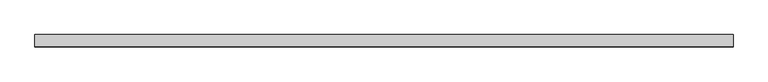
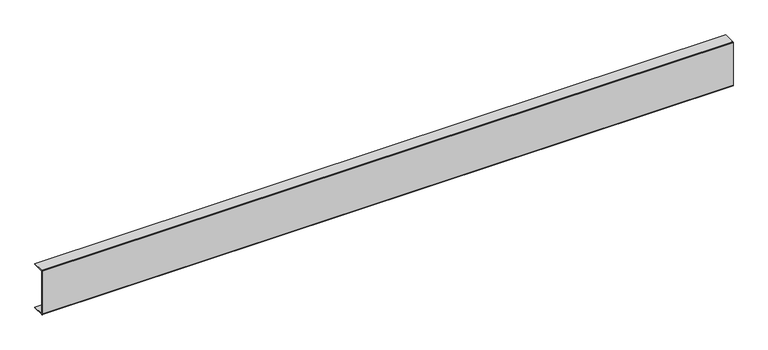
"""IFC4 building model written with IfcOpenShell, lengths in millimetres: proxy geometry."""

from ifc_helpers import new_model, si_unit, point, frame, frame_2d, origin, place, context, project, spatial, polyline, circle_curve, trimmed, segment, composite_curve, outline, extrude, source, transform, mapped, element, save


def generic_models_2855ec9a(model_context):
    return source(origin(), model_context, "Body", "SweptSolid", [
        extrude(outline(composite_curve([segment(polyline([(2.0, 151.0), (40.0, 151.0), (40.0, 149.0), (2.0, 149.0), (2.0, 2.0), (40.0, 2.0), (40.0, 0.0), (2.0, 0.0)]), True, "CONTINUOUS"), segment(trimmed(circle_curve(frame_2d((2.0, 2.0)), 2.0), [point((2.0, 0.0))], [point((0.0, 2.0))], False, "CARTESIAN"), True, "CONTINUOUS"), segment(polyline([(0.0, 2.0), (0.0, 149.0)]), True, "CONTINUOUS"), segment(trimmed(circle_curve(frame_2d((2.0, 149.0)), 2.0), [point((0.0, 149.0))], [point((2.0, 151.0))], False, "CARTESIAN"), True, "CONTINUOUS")], self_intersect=False)), frame((0.0, 0.0, 0.0), z_axis=(1.0, 0.0, 0.0), x_axis=(0.0, 1.0, 0.0)), (0.0, 0.0, 1.0), 2242.2495005),
    ])


if __name__ == "__main__":
    model = new_model("IFC4")
    model_context = context("Model", 3, world=origin())
    ifc_project = project(units=[si_unit("LENGTHUNIT", "METRE", prefix="MILLI")], contexts=[model_context])
    site = spatial("IfcSite", under=ifc_project)
    building = spatial("IfcBuilding", under=site)
    placement = place(None, origin())
    generic_models_shape = generic_models_2855ec9a(model_context)
    element("IfcBuildingElementProxy", 1, Name="Generic Models", at=placement, inside=building, context=model_context, shape_type="MappedRepresentation", body=[
        mapped(generic_models_shape, transform((0.0, 0.0, 0.0), x_axis=(1.0, 0.0, 0.0), y_axis=(0.0, 1.0, 0.0), z_axis=(0.0, 0.0, 1.0))),
    ])
    save(model, "model.ifc")
